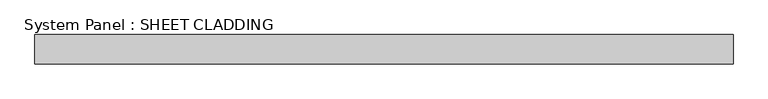
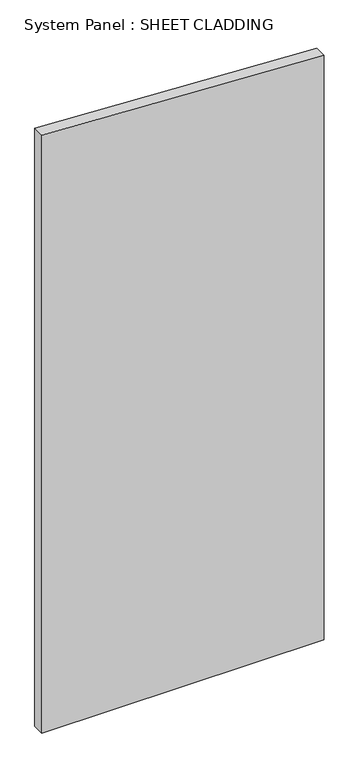
"""IFC4 building model written with IfcOpenShell, lengths in millimetres: plate geometry, System Panel : SHEET CLADDING."""

from ifc_helpers import new_model, si_unit, frame, origin, place, context, project, spatial, polyline, outline, extrude, source, transform, mapped, element, save


def system_panel_sheet_cladding_4e0a2068(model_context):
    return source(origin(), model_context, "Body", "SweptSolid", [
        extrude(outline(polyline([(0.0, -718.75), (0.0, 718.75), (3144.475, 718.75), (3216.35, -718.75), (0.0, -718.75)])), frame((0.0, -49.5, 0.0), z_axis=(0.0, 1.0, 0.0), x_axis=(0.0, 0.0, 1.0)), (0.0, 0.0, 1.0), 60.0),
    ])


if __name__ == "__main__":
    model = new_model("IFC4")
    model_context = context("Model", 3, world=origin())
    ifc_project = project(units=[si_unit("LENGTHUNIT", "METRE", prefix="MILLI")], contexts=[model_context])
    site = spatial("IfcSite", under=ifc_project)
    building = spatial("IfcBuilding", under=site)
    placement = place(None, origin())
    system_panel_sheet_cladding_shape = system_panel_sheet_cladding_4e0a2068(model_context)
    element("IfcPlate", 1, ObjectType="System Panel : SHEET CLADDING", at=placement, inside=building, context=model_context, shape_type="MappedRepresentation", body=[
        mapped(system_panel_sheet_cladding_shape, transform((0.0, 0.0, 0.0), x_axis=(1.0, 0.0, 0.0), y_axis=(0.0, 1.0, 0.0), z_axis=(0.0, 0.0, 1.0))),
    ])
    save(model, "model.ifc")
